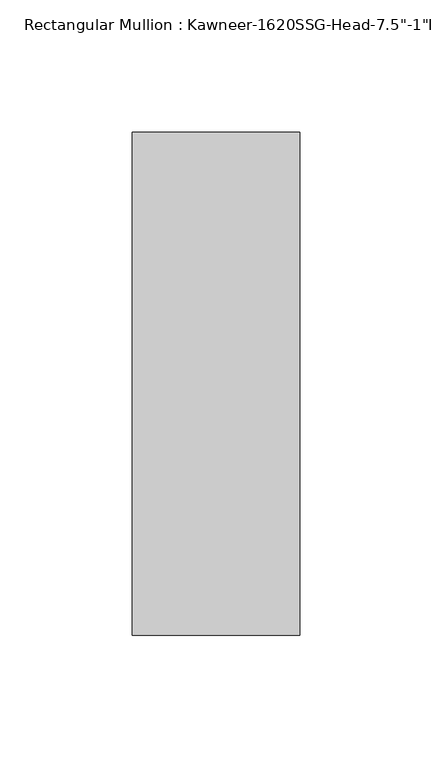
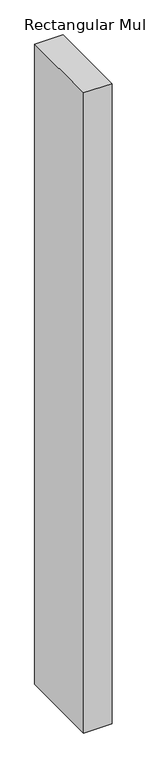
"""IFC4 building model written with IfcOpenShell, lengths in millimetres: member geometry."""

from ifc_helpers import new_model, si_unit, frame, origin, place, context, project, spatial, polyline, outline, extrude, source, transform, mapped, element, save


def member_05e7e510(model_context):
    return source(origin(), model_context, "Body", "SweptSolid", [
        extrude(outline(polyline([(-63.5, 38.1), (0.0, 38.1), (0.0, -152.4), (-63.5, -152.4), (-63.5, 38.1)])), frame((0.0, 0.0, -1518.5182369), z_axis=(0.0, 0.0, 1.0), x_axis=(1.0, 0.0, 0.0)), (0.0, 0.0, 1.0), 1518.5182369),
    ])


if __name__ == "__main__":
    model = new_model("IFC4")
    model_context = context("Model", 3, world=origin())
    ifc_project = project(units=[si_unit("LENGTHUNIT", "METRE", prefix="MILLI")], contexts=[model_context])
    site = spatial("IfcSite", under=ifc_project)
    building = spatial("IfcBuilding", under=site)
    placement = place(None, origin())
    member_shape = member_05e7e510(model_context)
    element("IfcMember", 1, ObjectType="Rectangular Mullion : Kawneer-1620SSG-Head-7.5\"-1\"Infill-1A", at=placement, inside=building, context=model_context, shape_type="MappedRepresentation", body=[
        mapped(member_shape, transform((0.0, 0.0, 0.0), x_axis=(1.0, 0.0, 0.0), y_axis=(0.0, 1.0, 0.0), z_axis=(0.0, 0.0, 1.0))),
    ])
    save(model, "model.ifc")
